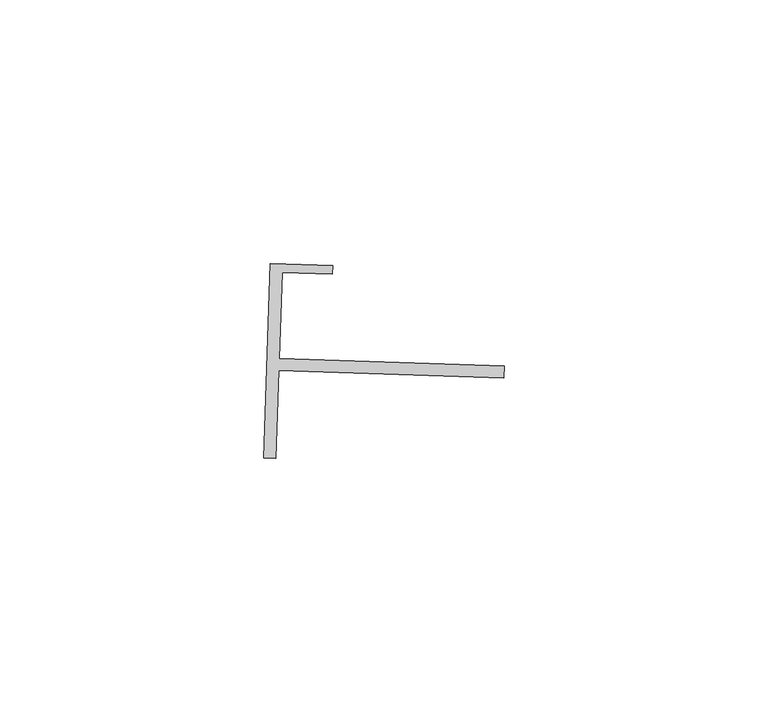
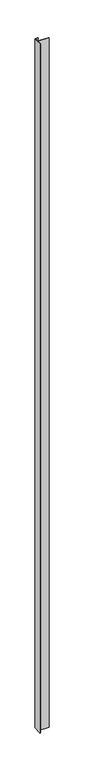
"""IFC4 building model written with IfcOpenShell, lengths in millimetres: proxy geometry."""

from ifc_helpers import new_model, si_unit, frame, origin, place, context, project, spatial, polyline, outline, extrude, source, transform, mapped, element, save


def generic_models_723b923d(model_context):
    return source(origin(), model_context, "Body", "SweptSolid", [
        extrude(outline(polyline([(18206.3307208, -15091.0922619), (18249.0012137, -15092.5131705), (18248.9250902, -15094.7991903), (18206.2545976, -15093.3782817), (18205.6995552, -15110.0464398), (18203.4136325, -15109.9703195), (18204.6410673, -15073.1099251), (18216.4516586, -15073.5030184), (18216.3983715, -15075.1032516), (18206.8737094, -15074.7860846), (18206.3307208, -15091.0922619)])), frame((0.0, 0.0, 73.975708), z_axis=(0.0, 0.0, 1.0), x_axis=(1.0, 0.0, 0.0)), (0.0, 0.0, 1.0), 2959.11),
    ])


if __name__ == "__main__":
    model = new_model("IFC4")
    model_context = context("Model", 3, world=origin())
    ifc_project = project(units=[si_unit("LENGTHUNIT", "METRE", prefix="MILLI")], contexts=[model_context])
    site = spatial("IfcSite", under=ifc_project)
    building = spatial("IfcBuilding", under=site)
    placement = place(None, origin())
    generic_models_shape = generic_models_723b923d(model_context)
    element("IfcBuildingElementProxy", 1, Name="Generic Models", at=placement, inside=building, context=model_context, shape_type="MappedRepresentation", body=[
        mapped(generic_models_shape, transform((0.0, 0.0, 0.0), x_axis=(1.0, 0.0, 0.0), y_axis=(0.0, 1.0, 0.0), z_axis=(0.0, 0.0, 1.0))),
    ])
    save(model, "model.ifc")
